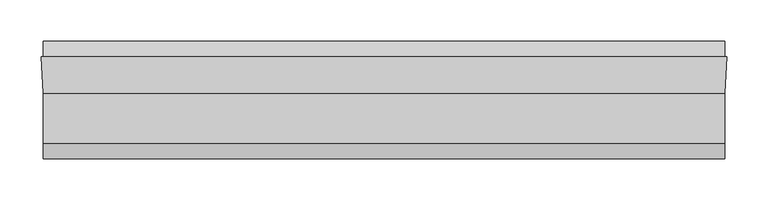
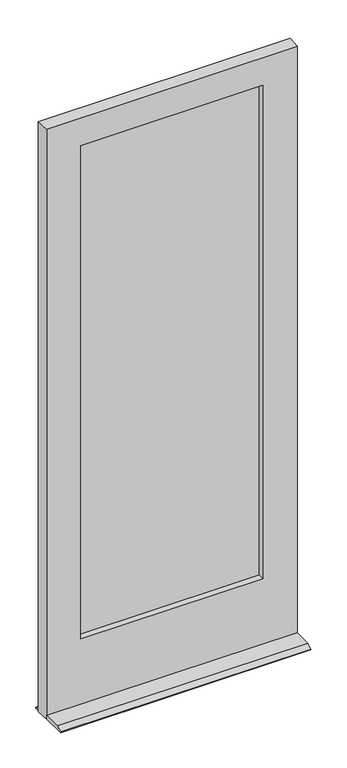
"""IFC4 building model written with IfcOpenShell, lengths in millimetres: plate geometry."""

from ifc_helpers import new_model, si_unit, frame, origin, place, context, project, spatial, polyline, outline, extrude, faceted_brep, source, transform, mapped, element, save


def plate_fc2f769f(model_context):
    return source(origin(), model_context, "Body", "SolidModel", [
        extrude(outline(polyline([(-316.7055893, -16.3742688), (-316.7055893, -13.1992688), (316.70625, -13.1992688), (316.70625, -16.3742688), (-316.7055893, -16.3742688)])), frame((0.0, 0.0, 226.615625), z_axis=(0.0, 0.0, 1.0), x_axis=(1.0, 0.0, 0.0)), (0.0, 0.0, 1.0), 1758.553125),
        extrude(outline(polyline([(-316.7055893, -20.9383312), (316.70625, -20.9383312), (316.70625, -24.1133312), (-316.7055893, -24.1133312), (-316.7055893, -20.9383312)])), frame((0.0, 0.0, 226.615625), z_axis=(0.0, 0.0, 1.0), x_axis=(1.0, 0.0, 0.0)), (0.0, 0.0, 1.0), 1758.553125),
        faceted_brep([(414.743896, -46.037564, 12.7), (414.743896, -106.3618913, 12.7), (414.743896, -125.4125, 3.1746956), (414.743896, -125.4125, 0.0003044), (414.743896, -46.037564, 0.0), (414.743896, 17.4625, 0.0003044), (414.743896, 17.4625, 3.1746956), (414.743896, -1.587564, 12.6997276), (414.743896, -1.587564, 0.0), (-414.7420889, -1.587564, 12.6997276), (-414.7420889, 17.4625, 3.1746956), (-414.7420889, 17.4625, 0.0003044), (-414.7420889, -1.587564, 0.0), (-414.7420889, -125.4125, 0.0003044), (-414.7420889, -125.4125, 3.1746956), (-414.7420889, -106.3618913, 12.7), (-414.7420889, -46.037564, 12.7), (-414.7420889, -46.037564, 0.0), (316.70625, -13.1992688, 226.615625), (-316.7055893, -13.1992688, 226.615625), (-316.7055893, -24.1133312, 226.615625), (316.70625, -24.1133312, 226.615625), (-301.6371359, -46.037564, 241.2869956), (301.6380625, -46.037564, 241.2869956), (301.6380625, -24.1133312, 241.2869956), (-301.6371359, -24.1133312, 241.2869956), (-296.8625, -13.1992688, 246.0621956), (296.8625, -13.1992688, 246.0621956), (296.8625, -1.587564, 246.0621956), (-296.8625, -1.587564, 246.0621956), (-301.6371359, -24.1133313, 1970.1002), (-301.6371359, -46.037564, 1970.1002), (-316.7055893, -13.1992688, 1985.16875), (-316.7055893, -24.1133313, 1985.16875), (-296.8625, -1.587564, 1965.325), (-296.8625, -13.1992688, 1965.325), (296.8625, -13.1992688, 1965.325), (296.8625, -1.587564, 1965.325), (316.70625, -24.1133313, 1985.16875), (316.70625, -13.1992688, 1985.16875), (301.6380625, -46.037564, 1970.1002), (301.6380625, -24.1133313, 1970.1002), (-417.5106889, -1.587564, 2067.71875), (-414.7420889, -46.037564, 2067.71875), (414.743896, -46.037564, 2067.71875), (417.512496, -1.587564, 2067.71875), (-417.5106889, -1.587564, 0.0), (417.512496, -1.587564, 0.0)], [[[0, 1, 2, 3, 4]], [[5, 6, 7, 8]], [[9, 10, 11, 12]], [[13, 14, 15, 16, 17]], [[18, 19, 20, 21]], [[22, 23, 24, 25]], [[1, 0, 16, 15]], [[2, 1, 15, 14]], [[3, 2, 14, 13]], [[6, 5, 11, 10]], [[9, 7, 6, 10]], [[26, 27, 28, 29]], [[30, 31, 22, 25]], [[19, 32, 33, 20]], [[34, 35, 26, 29]], [[36, 37, 28, 27]], [[21, 38, 39, 18]], [[40, 41, 24, 23]], [[35, 34, 37, 36]], [[33, 32, 39, 38]], [[31, 30, 41, 40]], [[42, 43, 44, 45]], [[16, 43, 42, 46, 17]], [[45, 44, 0, 4, 47]], [[44, 43, 16, 0], [31, 40, 23, 22]], [[46, 42, 45, 47, 8, 7, 9, 12], [34, 29, 28, 37]], [[39, 32, 19, 18], [35, 36, 27, 26]], [[33, 38, 21, 20], [41, 30, 25, 24]], [[17, 46, 12, 11, 5, 8, 47, 4, 3, 13]]]),
    ])


if __name__ == "__main__":
    model = new_model("IFC4")
    model_context = context("Model", 3, world=origin())
    ifc_project = project(units=[si_unit("LENGTHUNIT", "METRE", prefix="MILLI")], contexts=[model_context])
    site = spatial("IfcSite", under=ifc_project)
    building = spatial("IfcBuilding", under=site)
    placement = place(None, origin())
    plate_shape = plate_fc2f769f(model_context)
    element("IfcPlate", 1, at=placement, inside=building, context=model_context, shape_type="MappedRepresentation", body=[
        mapped(plate_shape, transform((0.0, 0.0, 0.0), x_axis=(1.0, 0.0, 0.0), y_axis=(0.0, 1.0, 0.0), z_axis=(0.0, 0.0, 1.0))),
    ])
    save(model, "model.ifc")
